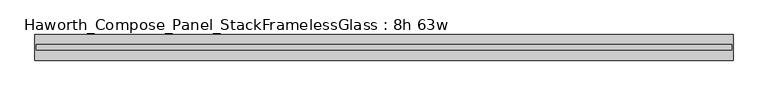
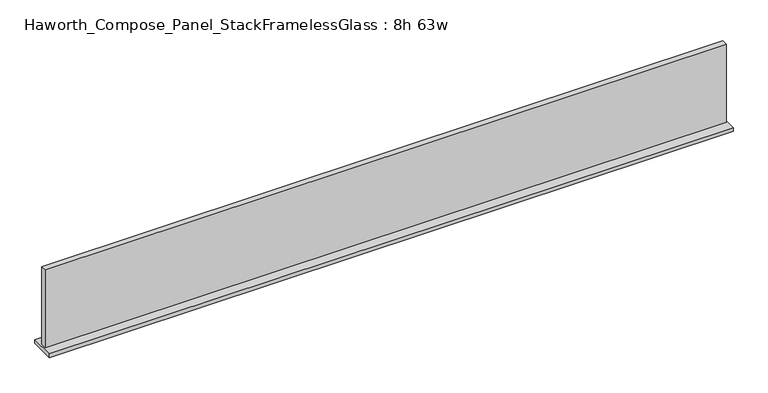
"""IFC4 building model written with IfcOpenShell, lengths in millimetres: furniture geometry, Haworth_Compose_Panel_StackFramelessGlass : 8h 63w."""

from ifc_helpers import new_model, si_unit, frame, origin, place, context, project, spatial, polyline, outline, extrude, source, transform, mapped, element, save


def haworth_compose_panel_stackframelessglass_8h_63w_d3f2ae0b(model_context):
    return source(origin(), model_context, "Body", "SweptSolid", [
        extrude(outline(polyline([(799.3652902, -27.3093594), (-794.4847098, -27.3093594), (-794.4847098, -14.6093594), (799.3652902, -14.6093594), (799.3652902, -27.3093594)])), frame((0.0, 0.0, 1279.525), z_axis=(0.0, 0.0, 1.0), x_axis=(1.0, 0.0, 0.0)), (0.0, 0.0, 1.0), 193.675),
        extrude(outline(polyline([(-797.6597098, -50.3281094), (-797.6597098, 8.4093906), (802.5402902, 8.4093906), (802.5402902, -50.3281094), (-797.6597098, -50.3281094)])), frame((0.0, 0.0, 1270.0), z_axis=(0.0, 0.0, 1.0), x_axis=(1.0, 0.0, 0.0)), (0.0, 0.0, 1.0), 9.525),
    ])


if __name__ == "__main__":
    model = new_model("IFC4")
    model_context = context("Model", 3, world=origin())
    ifc_project = project(units=[si_unit("LENGTHUNIT", "METRE", prefix="MILLI")], contexts=[model_context])
    site = spatial("IfcSite", under=ifc_project)
    building = spatial("IfcBuilding", under=site)
    placement = place(None, origin())
    haworth_compose_panel_stackframelessglass_8h_63w_shape = haworth_compose_panel_stackframelessglass_8h_63w_d3f2ae0b(model_context)
    element("IfcFurniture", 1, ObjectType="Haworth_Compose_Panel_StackFramelessGlass : 8h 63w", at=placement, inside=building, context=model_context, shape_type="MappedRepresentation", body=[
        mapped(haworth_compose_panel_stackframelessglass_8h_63w_shape, transform((0.0, 0.0, 0.0), x_axis=(1.0, 0.0, 0.0), y_axis=(0.0, 1.0, 0.0), z_axis=(0.0, 0.0, 1.0))),
    ])
    save(model, "model.ifc")
